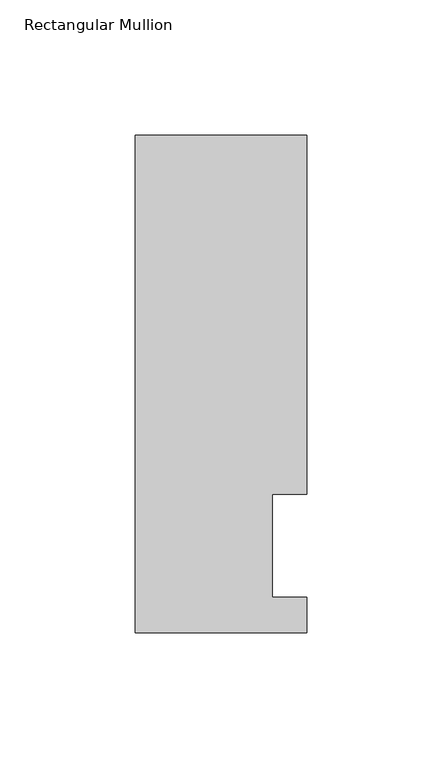
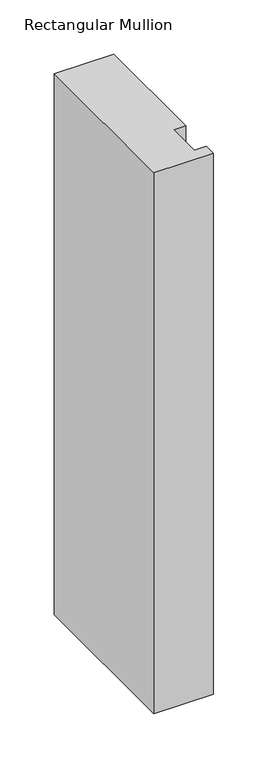
"""IFC4 building model written with IfcOpenShell, lengths in millimetres: member geometry, Rectangular Mullion."""

import ifcopenshell
import ifcopenshell.guid

model = None  # the IFC model being written
_history = None  # IfcOwnerHistory: only IFC2X3 demands one
_inside = {}  # id of a spatial element -> (the spatial element, [elements in it])
_under = {}  # id of a project, library or spatial element -> (it, [spatial elements below it])
_declared = {}  # id of a project -> (the project, [libraries it declares])
_typed = {}  # id of a type object -> (the type object, [elements of that type])
_made_of = {}  # id of a material, layer set ... -> (it, [elements and type objects made of it])


def new_model(schema):
    """Start an empty IFC model of exactly this schema.

    Asked for "IFC4X3", IfcOpenShell would pick the latest addendum, in which some entities
    have other attributes; the version numbers below select the first issue.
    IFC2X3 requires an IfcOwnerHistory on every rooted entity: one is made here for all.
    """
    global model, _history
    if schema == "IFC4X3":
        model = ifcopenshell.file(schema_version=(4, 3, 0, 0))
    else:
        model = ifcopenshell.file(schema=schema)
    _inside.clear()
    _under.clear()
    _declared.clear()
    _typed.clear()
    _made_of.clear()
    _history = None
    if model.schema == "IFC2X3":
        org = make("IfcOrganization", Name="unknown")
        user = make(
            "IfcPersonAndOrganization",
            ThePerson=make("IfcPerson", FamilyName="unknown"),
            TheOrganization=org,
        )
        app = make(
            "IfcApplication",
            ApplicationDeveloper=org,
            Version="unknown",
            ApplicationFullName="unknown",
            ApplicationIdentifier="unknown",
        )
        _history = make(
            "IfcOwnerHistory",
            OwningUser=user,
            OwningApplication=app,
            ChangeAction="ADDED",
            CreationDate=0,
        )
    return model


def make(cls, **values):
    """One entity of the class cls with the attributes given. An attribute that is None is left unset."""
    return model.create_entity(
        cls, **{name: value for name, value in values.items() if value is not None}
    )


def rooted(cls, **values):
    """An entity with a GlobalId (a new one), such as an element, a storey or a relation."""
    return make(cls, GlobalId=ifcopenshell.guid.new(), OwnerHistory=_history, **values)


def si_unit(unit_type, name, prefix=None):
    """IfcSIUnit, for example si_unit("LENGTHUNIT", "METRE", prefix="MILLI")."""
    return make("IfcSIUnit", UnitType=unit_type, Prefix=prefix, Name=name)


def assignment(units):
    """IfcUnitAssignment: the units of a project."""
    return None if units is None else make("IfcUnitAssignment", Units=units)


def point(xyz):
    """IfcCartesianPoint."""
    return None if xyz is None else make("IfcCartesianPoint", Coordinates=xyz)


def direction(xyz):
    """IfcDirection."""
    return None if xyz is None else make("IfcDirection", DirectionRatios=xyz)


def frame(location, z_axis=None, x_axis=None):
    """IfcAxis2Placement3D, a coordinate frame: its origin and axes. An axis left out is left unset."""
    return make(
        "IfcAxis2Placement3D",
        Location=point(location),
        Axis=direction(z_axis),
        RefDirection=direction(x_axis),
    )


def origin():
    """The frame at (0, 0, 0) with its axes left unset."""
    return frame((0.0, 0.0, 0.0))


def place(relative_to, where):
    """IfcLocalPlacement: puts the frame where relative to a parent placement (None: the world)."""
    return make(
        "IfcLocalPlacement", PlacementRelTo=relative_to, RelativePlacement=where
    )


def context(
    kind, dimensions, precision=None, world=None, true_north=None, identifier=None
):
    """IfcGeometricRepresentationContext, for example the 3D "Model" context."""
    return make(
        "IfcGeometricRepresentationContext",
        ContextIdentifier=identifier,
        ContextType=kind,
        CoordinateSpaceDimension=dimensions,
        Precision=precision,
        WorldCoordinateSystem=world,
        TrueNorth=true_north,
    )


def project(units=None, contexts=None):
    """IfcProject with its units and contexts."""
    return rooted(
        "IfcProject",
        Name="project",
        RepresentationContexts=contexts,
        UnitsInContext=assignment(units),
    )


def spatial(cls, under=None, at=None, **own):
    """A site, building, storey or space (cls), placed at a placement, below another one or the project."""
    s = rooted(cls, ObjectPlacement=at, **own)
    if under is not None:
        _under.setdefault(under.id(), (under, []))[1].append(s)
    return s


def polyline(points):
    """IfcPolyline through the points."""
    return make("IfcPolyline", Points=[point(p) for p in points])


def outline(outer, holes=None, kind="AREA"):
    """IfcArbitraryClosedProfileDef: a profile drawn as a closed curve; with holes, ...WithVoids."""
    if holes is None:
        return make("IfcArbitraryClosedProfileDef", ProfileType=kind, OuterCurve=outer)
    return make(
        "IfcArbitraryProfileDefWithVoids",
        ProfileType=kind,
        OuterCurve=outer,
        InnerCurves=holes,
    )


def extrude(swept, where, along, depth):
    """IfcExtrudedAreaSolid: the profile swept, set in the frame where, extruded along a direction by depth."""
    return make(
        "IfcExtrudedAreaSolid",
        SweptArea=swept,
        Position=where,
        ExtrudedDirection=direction(along),
        Depth=depth,
    )


def shape(context_of_items, identifier, shape_type, items):
    """IfcShapeRepresentation: the items that make up one representation, for example the "Body"."""
    return make(
        "IfcShapeRepresentation",
        ContextOfItems=context_of_items,
        RepresentationIdentifier=identifier,
        RepresentationType=shape_type,
        Items=items,
    )


def source(mapping_origin, context_of_items, identifier, shape_type, items):
    """IfcRepresentationMap: a shape defined once, which mapped items show again and again."""
    return make(
        "IfcRepresentationMap",
        MappingOrigin=mapping_origin,
        MappedRepresentation=shape(context_of_items, identifier, shape_type, items),
    )


def transform(
    local_origin,
    x_axis=None,
    y_axis=None,
    z_axis=None,
    scale=None,
    scale2=None,
    scale3=None,
    uniform=True,
):
    """IfcCartesianTransformationOperator3D, or its non-uniform kind. x_axis, y_axis, z_axis: its Axis1, 2, 3."""
    if uniform:
        return make(
            "IfcCartesianTransformationOperator3D",
            Axis1=direction(x_axis),
            Axis2=direction(y_axis),
            LocalOrigin=point(local_origin),
            Scale=scale,
            Axis3=direction(z_axis),
        )
    return make(
        "IfcCartesianTransformationOperator3DnonUniform",
        Axis1=direction(x_axis),
        Axis2=direction(y_axis),
        LocalOrigin=point(local_origin),
        Scale=scale,
        Axis3=direction(z_axis),
        Scale2=scale2,
        Scale3=scale3,
    )


def mapped(mapping_source, mapping_target):
    """IfcMappedItem: shows the shape of a source again, moved by a transform."""
    return make(
        "IfcMappedItem", MappingSource=mapping_source, MappingTarget=mapping_target
    )


def made_of(thing, what):
    """Note that an element or type object is made of a material, layer set ...; save() writes the relation."""
    if what is not None:
        _made_of.setdefault(what.id(), (what, []))[1].append(thing)
    return thing


def element(
    cls,
    number,
    at=None,
    inside=None,
    cuts=None,
    type_object=None,
    material=None,
    context=None,
    identifier="Body",
    shape_type=None,
    held_by="IfcProductDefinitionShape",
    body=None,
    shapes=None,
    **own,
):
    """One element of the class cls, such as IfcWall. Its Tag is "e" and its number.

    at: its placement. inside: the storey or other place that contains it. cuts: it is an
    opening in that element (IfcRelVoidsElement). A single representation is given by context,
    identifier, shape_type and body (its items); several are given by shapes. held_by: the class
    of the entity that holds the representations. save() writes the other relations.
    """
    e = rooted(cls, Tag="e%d" % number, ObjectPlacement=at, **own)
    if body is not None:
        shapes = [shape(context, identifier, shape_type, body)]
    if shapes is not None:
        e.Representation = make(held_by, Representations=shapes)
    if inside is not None:
        _inside.setdefault(inside.id(), (inside, []))[1].append(e)
    if cuts is not None:
        rooted(
            "IfcRelVoidsElement", RelatingBuildingElement=cuts, RelatedOpeningElement=e
        )
    if type_object is not None:
        _typed.setdefault(type_object.id(), (type_object, []))[1].append(e)
    return made_of(e, material)


def aggregate(whole, parts):
    """IfcRelAggregates: a whole, such as a stair, and the parts it consists of."""
    return rooted("IfcRelAggregates", RelatingObject=whole, RelatedObjects=parts)


def save(model, path):
    """Write the relations noted so far, then the file.

    IfcRelAggregates (storeys below a building ...), IfcRelContainedInSpatialStructure (elements
    in a storey), IfcRelDefinesByType, IfcRelAssociatesMaterial and IfcRelDeclares: one each for
    every whole, place, type object, material and project.
    """
    for whole, parts in _under.values():
        aggregate(whole, parts)
    for where, things in _inside.values():
        rooted(
            "IfcRelContainedInSpatialStructure",
            RelatedElements=things,
            RelatingStructure=where,
        )
    for kind, things in _typed.values():
        rooted("IfcRelDefinesByType", RelatedObjects=things, RelatingType=kind)
    for what, things in _made_of.values():
        rooted("IfcRelAssociatesMaterial", RelatedObjects=things, RelatingMaterial=what)
    for by, libraries in _declared.values():
        rooted("IfcRelDeclares", RelatingContext=by, RelatedDefinitions=libraries)
    model.write(path)


def rectangular_mullion_edce1bee(model_context):
    return source(origin(), model_context, "Body", "SweptSolid", [
        extrude(outline(polyline([(-12.6873001, 51.2960937), (-12.6873001, 13.1960938), (-0.0127, 13.1960938), (-0.0127, 0.0134938), (-63.5127, 0.0134938), (-63.5127, 184.2396937), (-0.0127, 184.2396938), (-0.0127, 51.2960937), (-12.6873001, 51.2960937)])), frame((0.0, 0.0, -609.6), z_axis=(0.0, 0.0, 1.0), x_axis=(1.0, 0.0, 0.0)), (0.0, 0.0, 1.0), 609.6),
    ])


if __name__ == "__main__":
    model = new_model("IFC4")
    model_context = context("Model", 3, world=origin())
    ifc_project = project(units=[si_unit("LENGTHUNIT", "METRE", prefix="MILLI")], contexts=[model_context])
    site = spatial("IfcSite", under=ifc_project)
    building = spatial("IfcBuilding", under=site)
    placement = place(None, origin())
    rectangular_mullion_shape = rectangular_mullion_edce1bee(model_context)
    element("IfcMember", 1, ObjectType="Rectangular Mullion", at=placement, inside=building, context=model_context, shape_type="MappedRepresentation", body=[
        mapped(rectangular_mullion_shape, transform((0.0, 0.0, 0.0), x_axis=(1.0, 0.0, 0.0), y_axis=(0.0, 1.0, 0.0), z_axis=(0.0, 0.0, 1.0))),
    ])
    save(model, "model.ifc")
